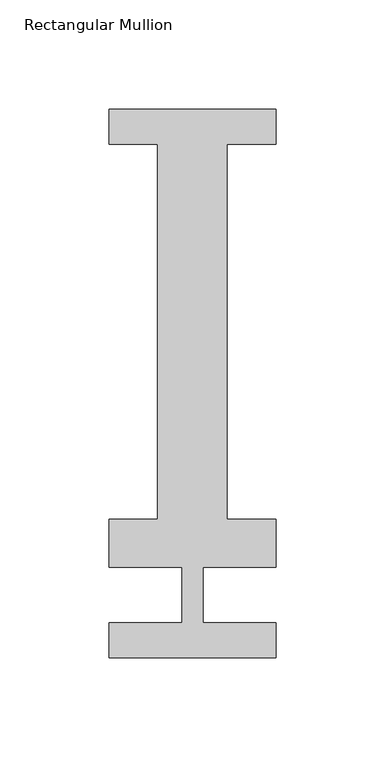
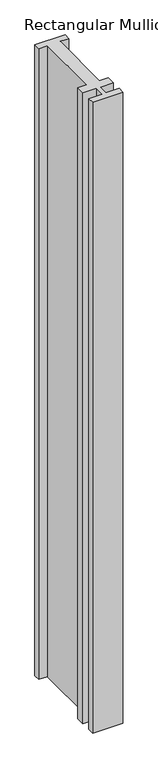
"""IFC4 building model written with IfcOpenShell, lengths in millimetres: member geometry, Rectangular Mullion."""

import ifcopenshell
import ifcopenshell.guid

model = None  # the IFC model being written
_history = None  # IfcOwnerHistory: only IFC2X3 demands one
_inside = {}  # id of a spatial element -> (the spatial element, [elements in it])
_under = {}  # id of a project, library or spatial element -> (it, [spatial elements below it])
_declared = {}  # id of a project -> (the project, [libraries it declares])
_typed = {}  # id of a type object -> (the type object, [elements of that type])
_made_of = {}  # id of a material, layer set ... -> (it, [elements and type objects made of it])


def new_model(schema):
    """Start an empty IFC model of exactly this schema.

    Asked for "IFC4X3", IfcOpenShell would pick the latest addendum, in which some entities
    have other attributes; the version numbers below select the first issue.
    IFC2X3 requires an IfcOwnerHistory on every rooted entity: one is made here for all.
    """
    global model, _history
    if schema == "IFC4X3":
        model = ifcopenshell.file(schema_version=(4, 3, 0, 0))
    else:
        model = ifcopenshell.file(schema=schema)
    _inside.clear()
    _under.clear()
    _declared.clear()
    _typed.clear()
    _made_of.clear()
    _history = None
    if model.schema == "IFC2X3":
        org = make("IfcOrganization", Name="unknown")
        user = make(
            "IfcPersonAndOrganization",
            ThePerson=make("IfcPerson", FamilyName="unknown"),
            TheOrganization=org,
        )
        app = make(
            "IfcApplication",
            ApplicationDeveloper=org,
            Version="unknown",
            ApplicationFullName="unknown",
            ApplicationIdentifier="unknown",
        )
        _history = make(
            "IfcOwnerHistory",
            OwningUser=user,
            OwningApplication=app,
            ChangeAction="ADDED",
            CreationDate=0,
        )
    return model


def make(cls, **values):
    """One entity of the class cls with the attributes given. An attribute that is None is left unset."""
    return model.create_entity(
        cls, **{name: value for name, value in values.items() if value is not None}
    )


def rooted(cls, **values):
    """An entity with a GlobalId (a new one), such as an element, a storey or a relation."""
    return make(cls, GlobalId=ifcopenshell.guid.new(), OwnerHistory=_history, **values)


def si_unit(unit_type, name, prefix=None):
    """IfcSIUnit, for example si_unit("LENGTHUNIT", "METRE", prefix="MILLI")."""
    return make("IfcSIUnit", UnitType=unit_type, Prefix=prefix, Name=name)


def assignment(units):
    """IfcUnitAssignment: the units of a project."""
    return None if units is None else make("IfcUnitAssignment", Units=units)


def point(xyz):
    """IfcCartesianPoint."""
    return None if xyz is None else make("IfcCartesianPoint", Coordinates=xyz)


def direction(xyz):
    """IfcDirection."""
    return None if xyz is None else make("IfcDirection", DirectionRatios=xyz)


def frame(location, z_axis=None, x_axis=None):
    """IfcAxis2Placement3D, a coordinate frame: its origin and axes. An axis left out is left unset."""
    return make(
        "IfcAxis2Placement3D",
        Location=point(location),
        Axis=direction(z_axis),
        RefDirection=direction(x_axis),
    )


def origin():
    """The frame at (0, 0, 0) with its axes left unset."""
    return frame((0.0, 0.0, 0.0))


def place(relative_to, where):
    """IfcLocalPlacement: puts the frame where relative to a parent placement (None: the world)."""
    return make(
        "IfcLocalPlacement", PlacementRelTo=relative_to, RelativePlacement=where
    )


def context(
    kind, dimensions, precision=None, world=None, true_north=None, identifier=None
):
    """IfcGeometricRepresentationContext, for example the 3D "Model" context."""
    return make(
        "IfcGeometricRepresentationContext",
        ContextIdentifier=identifier,
        ContextType=kind,
        CoordinateSpaceDimension=dimensions,
        Precision=precision,
        WorldCoordinateSystem=world,
        TrueNorth=true_north,
    )


def project(units=None, contexts=None):
    """IfcProject with its units and contexts."""
    return rooted(
        "IfcProject",
        Name="project",
        RepresentationContexts=contexts,
        UnitsInContext=assignment(units),
    )


def spatial(cls, under=None, at=None, **own):
    """A site, building, storey or space (cls), placed at a placement, below another one or the project."""
    s = rooted(cls, ObjectPlacement=at, **own)
    if under is not None:
        _under.setdefault(under.id(), (under, []))[1].append(s)
    return s


def polyline(points):
    """IfcPolyline through the points."""
    return make("IfcPolyline", Points=[point(p) for p in points])


def outline(outer, holes=None, kind="AREA"):
    """IfcArbitraryClosedProfileDef: a profile drawn as a closed curve; with holes, ...WithVoids."""
    if holes is None:
        return make("IfcArbitraryClosedProfileDef", ProfileType=kind, OuterCurve=outer)
    return make(
        "IfcArbitraryProfileDefWithVoids",
        ProfileType=kind,
        OuterCurve=outer,
        InnerCurves=holes,
    )


def extrude(swept, where, along, depth):
    """IfcExtrudedAreaSolid: the profile swept, set in the frame where, extruded along a direction by depth."""
    return make(
        "IfcExtrudedAreaSolid",
        SweptArea=swept,
        Position=where,
        ExtrudedDirection=direction(along),
        Depth=depth,
    )


def shape(context_of_items, identifier, shape_type, items):
    """IfcShapeRepresentation: the items that make up one representation, for example the "Body"."""
    return make(
        "IfcShapeRepresentation",
        ContextOfItems=context_of_items,
        RepresentationIdentifier=identifier,
        RepresentationType=shape_type,
        Items=items,
    )


def source(mapping_origin, context_of_items, identifier, shape_type, items):
    """IfcRepresentationMap: a shape defined once, which mapped items show again and again."""
    return make(
        "IfcRepresentationMap",
        MappingOrigin=mapping_origin,
        MappedRepresentation=shape(context_of_items, identifier, shape_type, items),
    )


def transform(
    local_origin,
    x_axis=None,
    y_axis=None,
    z_axis=None,
    scale=None,
    scale2=None,
    scale3=None,
    uniform=True,
):
    """IfcCartesianTransformationOperator3D, or its non-uniform kind. x_axis, y_axis, z_axis: its Axis1, 2, 3."""
    if uniform:
        return make(
            "IfcCartesianTransformationOperator3D",
            Axis1=direction(x_axis),
            Axis2=direction(y_axis),
            LocalOrigin=point(local_origin),
            Scale=scale,
            Axis3=direction(z_axis),
        )
    return make(
        "IfcCartesianTransformationOperator3DnonUniform",
        Axis1=direction(x_axis),
        Axis2=direction(y_axis),
        LocalOrigin=point(local_origin),
        Scale=scale,
        Axis3=direction(z_axis),
        Scale2=scale2,
        Scale3=scale3,
    )


def mapped(mapping_source, mapping_target):
    """IfcMappedItem: shows the shape of a source again, moved by a transform."""
    return make(
        "IfcMappedItem", MappingSource=mapping_source, MappingTarget=mapping_target
    )


def made_of(thing, what):
    """Note that an element or type object is made of a material, layer set ...; save() writes the relation."""
    if what is not None:
        _made_of.setdefault(what.id(), (what, []))[1].append(thing)
    return thing


def element(
    cls,
    number,
    at=None,
    inside=None,
    cuts=None,
    type_object=None,
    material=None,
    context=None,
    identifier="Body",
    shape_type=None,
    held_by="IfcProductDefinitionShape",
    body=None,
    shapes=None,
    **own,
):
    """One element of the class cls, such as IfcWall. Its Tag is "e" and its number.

    at: its placement. inside: the storey or other place that contains it. cuts: it is an
    opening in that element (IfcRelVoidsElement). A single representation is given by context,
    identifier, shape_type and body (its items); several are given by shapes. held_by: the class
    of the entity that holds the representations. save() writes the other relations.
    """
    e = rooted(cls, Tag="e%d" % number, ObjectPlacement=at, **own)
    if body is not None:
        shapes = [shape(context, identifier, shape_type, body)]
    if shapes is not None:
        e.Representation = make(held_by, Representations=shapes)
    if inside is not None:
        _inside.setdefault(inside.id(), (inside, []))[1].append(e)
    if cuts is not None:
        rooted(
            "IfcRelVoidsElement", RelatingBuildingElement=cuts, RelatedOpeningElement=e
        )
    if type_object is not None:
        _typed.setdefault(type_object.id(), (type_object, []))[1].append(e)
    return made_of(e, material)


def aggregate(whole, parts):
    """IfcRelAggregates: a whole, such as a stair, and the parts it consists of."""
    return rooted("IfcRelAggregates", RelatingObject=whole, RelatedObjects=parts)


def save(model, path):
    """Write the relations noted so far, then the file.

    IfcRelAggregates (storeys below a building ...), IfcRelContainedInSpatialStructure (elements
    in a storey), IfcRelDefinesByType, IfcRelAssociatesMaterial and IfcRelDeclares: one each for
    every whole, place, type object, material and project.
    """
    for whole, parts in _under.values():
        aggregate(whole, parts)
    for where, things in _inside.values():
        rooted(
            "IfcRelContainedInSpatialStructure",
            RelatedElements=things,
            RelatingStructure=where,
        )
    for kind, things in _typed.values():
        rooted("IfcRelDefinesByType", RelatedObjects=things, RelatingType=kind)
    for what, things in _made_of.values():
        rooted("IfcRelAssociatesMaterial", RelatedObjects=things, RelatingMaterial=what)
    for by, libraries in _declared.values():
        rooted("IfcRelDeclares", RelatingContext=by, RelatedDefinitions=libraries)
    model.write(path)


def rectangular_mullion_93c5d663(model_context):
    return source(origin(), model_context, "Body", "SweptSolid", [
        extrude(outline(polyline([(38.1, 221.996), (38.1, 206.121), (15.875, 206.121), (15.875, 34.671), (38.1, 34.671), (38.1, 12.7), (4.7625, 12.7), (4.7625, -12.7), (38.1, -12.7), (38.1, -28.830618), (-38.1, -28.830618), (-38.1, -12.7), (-4.7625, -12.7), (-4.7625, 12.7), (-38.1, 12.7), (-38.1, 34.671), (-15.875, 34.671), (-15.875, 206.121), (-38.1, 206.121), (-38.1, 221.996), (38.1, 221.996)])), frame((0.0, 0.0, -1676.4), z_axis=(0.0, 0.0, 1.0), x_axis=(1.0, 0.0, 0.0)), (0.0, 0.0, 1.0), 1676.4),
    ])


if __name__ == "__main__":
    model = new_model("IFC4")
    model_context = context("Model", 3, world=origin())
    ifc_project = project(units=[si_unit("LENGTHUNIT", "METRE", prefix="MILLI")], contexts=[model_context])
    site = spatial("IfcSite", under=ifc_project)
    building = spatial("IfcBuilding", under=site)
    placement = place(None, origin())
    rectangular_mullion_shape = rectangular_mullion_93c5d663(model_context)
    element("IfcMember", 1, ObjectType="Rectangular Mullion", at=placement, inside=building, context=model_context, shape_type="MappedRepresentation", body=[
        mapped(rectangular_mullion_shape, transform((0.0, 0.0, 0.0), x_axis=(1.0, 0.0, 0.0), y_axis=(0.0, 1.0, 0.0), z_axis=(0.0, 0.0, 1.0))),
    ])
    save(model, "model.ifc")
